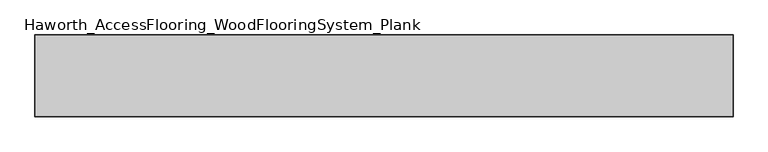
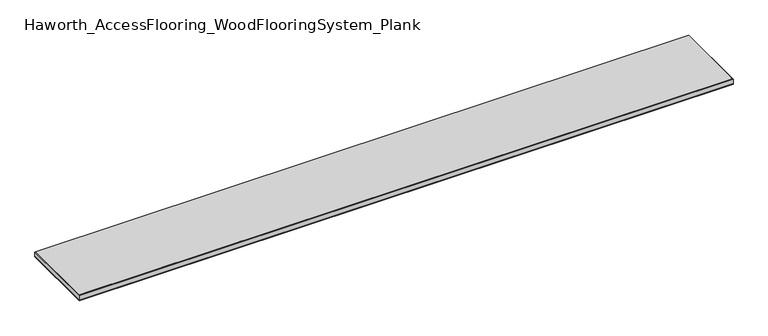
"""IFC4 building model written with IfcOpenShell, lengths in millimetres: proxy geometry, Haworth_AccessFlooring_WoodFlooringSystem_Plank."""

from ifc_helpers import new_model, si_unit, frame, origin, place, context, project, spatial, polyline, outline, extrude, faceted_brep, source, transform, mapped, element, save


def haworth_accessflooring_woodflooringsystem_plank_00dbd9e3(model_context):
    return source(origin(), model_context, "Body", "SolidModel", [
        extrude(outline(polyline([(939.8, 109.9839844), (939.8, -109.9839844), (-939.8, -109.9839844), (-939.8, 109.9839844), (939.8, 109.9839844)])), frame((0.0, 0.0, -15.875), z_axis=(0.0, 0.0, 1.0), x_axis=(1.0, 0.0, 0.0)), (0.0, 0.0, 1.0), 0.9921875),
        faceted_brep([(939.8, 109.9839844, -14.8828125), (939.8, -109.9839844, -14.8828125), (-939.8, -109.9839844, -14.8828125), (-939.8, 109.9839844, -14.8828125), (-939.8, 109.9839844, -1.5875), (939.8, 109.9839844, -1.5875), (-939.8, -109.9839844, -1.5875), (939.8, -109.9839844, -1.5875), (938.2125, 108.3964844, 0.0), (-938.2125, 108.3964844, 0.0), (-938.2125, -108.3964844, 0.0), (938.2125, -108.3964844, 0.0)], [[[0, 1, 2, 3]], [[0, 3, 4, 5]], [[3, 2, 6, 4]], [[2, 1, 7, 6]], [[1, 0, 5, 7]], [[8, 9, 10, 11]], [[9, 8, 5, 4]], [[10, 9, 4, 6]], [[11, 10, 6, 7]], [[8, 11, 7, 5]]]),
    ])


if __name__ == "__main__":
    model = new_model("IFC4")
    model_context = context("Model", 3, world=origin())
    ifc_project = project(units=[si_unit("LENGTHUNIT", "METRE", prefix="MILLI")], contexts=[model_context])
    site = spatial("IfcSite", under=ifc_project)
    building = spatial("IfcBuilding", under=site)
    placement = place(None, origin())
    haworth_accessflooring_woodflooringsystem_plank_shape = haworth_accessflooring_woodflooringsystem_plank_00dbd9e3(model_context)
    element("IfcBuildingElementProxy", 1, Name="Haworth_AccessFlooring_WoodFlooringSystem_Plank", ObjectType="Haworth_AccessFlooring_WoodFlooringSystem_Plank", at=placement, inside=building, context=model_context, shape_type="MappedRepresentation", body=[
        mapped(haworth_accessflooring_woodflooringsystem_plank_shape, transform((0.0, 0.0, 0.0), x_axis=(1.0, 0.0, 0.0), y_axis=(0.0, 1.0, 0.0), z_axis=(0.0, 0.0, 1.0))),
    ])
    save(model, "model.ifc")
